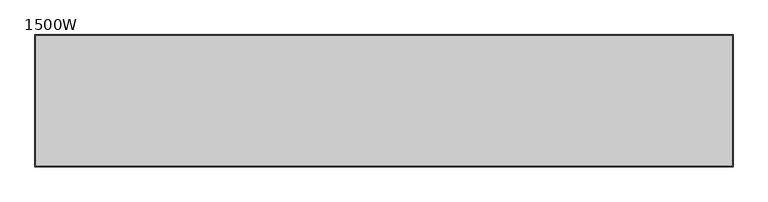
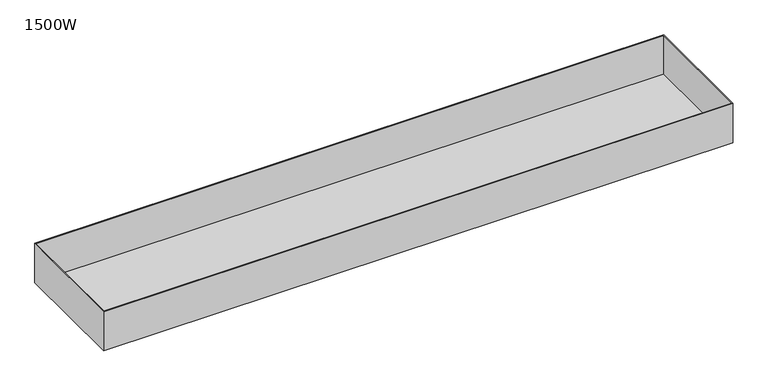
"""IFC4 building model written with IfcOpenShell, lengths in millimetres: furniture geometry, 1500W."""

from ifc_helpers import new_model, si_unit, origin, place, context, project, spatial, faceted_brep, source, transform, mapped, element, save


def furniture_1500w_93b8f583(model_context):
    return source(origin(), model_context, "Body", "Brep", [
        faceted_brep([(-660.0, 125.0, 435.0), (-660.0, -125.0, 435.0), (-660.0, -125.0, 522.0), (-660.0, 125.0, 522.0), (660.0, 125.0, 435.0), (660.0, 125.0, 522.0), (660.0, -125.0, 522.0), (660.0, -125.0, 435.0), (-658.0, -123.0, 522.0), (-658.0, 123.0, 522.0), (658.0, 123.0, 522.0), (658.0, -123.0, 522.0), (658.0, -123.0, 437.0), (658.0, 123.0, 437.0), (-658.0, 123.0, 437.0), (-658.0, -123.0, 437.0)], [[[0, 1, 2, 3]], [[4, 5, 6, 7]], [[3, 5, 4, 0]], [[2, 6, 5, 3], [8, 9, 10, 11]], [[1, 7, 6, 2]], [[0, 4, 7, 1]], [[12, 13, 14, 15]], [[15, 8, 11, 12]], [[14, 9, 8, 15]], [[13, 10, 9, 14]], [[12, 11, 10, 13]]]),
    ])


if __name__ == "__main__":
    model = new_model("IFC4")
    model_context = context("Model", 3, world=origin())
    ifc_project = project(units=[si_unit("LENGTHUNIT", "METRE", prefix="MILLI")], contexts=[model_context])
    site = spatial("IfcSite", under=ifc_project)
    building = spatial("IfcBuilding", under=site)
    placement = place(None, origin())
    furniture_1500w_shape = furniture_1500w_93b8f583(model_context)
    element("IfcFurniture", 1, ObjectType="1500W", at=placement, inside=building, context=model_context, shape_type="MappedRepresentation", body=[
        mapped(furniture_1500w_shape, transform((0.0, 0.0, 0.0), x_axis=(1.0, 0.0, 0.0), y_axis=(0.0, 1.0, 0.0), z_axis=(0.0, 0.0, 1.0))),
    ])
    save(model, "model.ifc")
